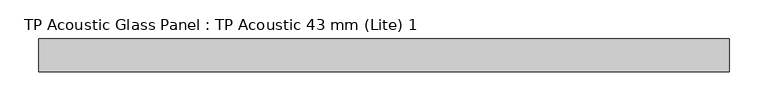
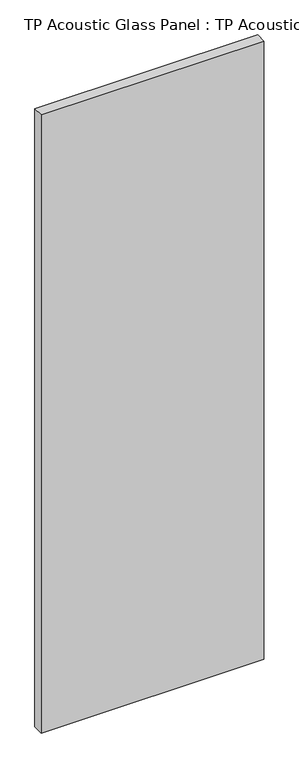
"""IFC4 building model written with IfcOpenShell, lengths in millimetres: plate geometry, TP Acoustic Glass Panel : TP Acoustic 43 mm (Lite) 1."""

from ifc_helpers import new_model, si_unit, origin, origin_with_axes, place, context, project, spatial, polyline, outline, extrude, source, transform, mapped, element, save


def tp_acoustic_glass_panel_tp_acoustic_43_mm_lite_1_191fade1(model_context):
    return source(origin(), model_context, "Body", "SweptSolid", [
        extrude(outline(polyline([(447.5, -21.5), (-447.5, -21.5), (-447.5, 21.5), (447.5, 21.5), (447.5, -21.5)])), origin_with_axes(), (0.0, 0.0, 1.0), 2628.0),
    ])


if __name__ == "__main__":
    model = new_model("IFC4")
    model_context = context("Model", 3, world=origin())
    ifc_project = project(units=[si_unit("LENGTHUNIT", "METRE", prefix="MILLI")], contexts=[model_context])
    site = spatial("IfcSite", under=ifc_project)
    building = spatial("IfcBuilding", under=site)
    placement = place(None, origin())
    tp_acoustic_glass_panel_tp_acoustic_43_mm_lite_1_shape = tp_acoustic_glass_panel_tp_acoustic_43_mm_lite_1_191fade1(model_context)
    element("IfcPlate", 1, ObjectType="TP Acoustic Glass Panel : TP Acoustic 43 mm (Lite) 1", at=placement, inside=building, context=model_context, shape_type="MappedRepresentation", body=[
        mapped(tp_acoustic_glass_panel_tp_acoustic_43_mm_lite_1_shape, transform((0.0, 0.0, 0.0), x_axis=(1.0, 0.0, 0.0), y_axis=(0.0, 1.0, 0.0), z_axis=(0.0, 0.0, 1.0))),
    ])
    save(model, "model.ifc")
